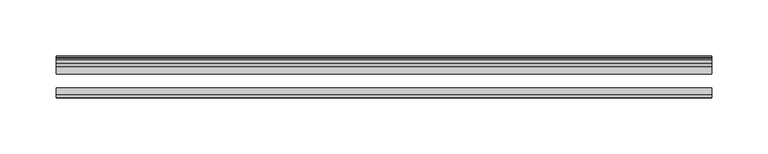
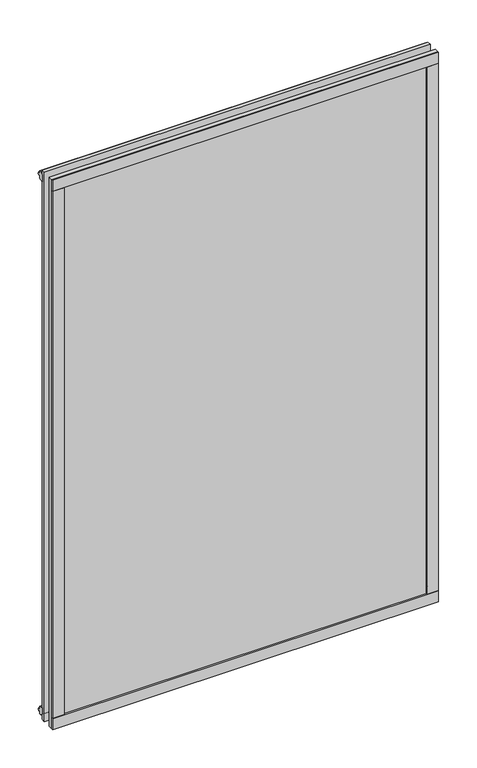
"""IFC4 building model written with IfcOpenShell, lengths in millimetres: plate geometry."""

from ifc_helpers import new_model, si_unit, frame, origin, origin_with_axes, place, context, project, spatial, polyline, outline, extrude, source, transform, mapped, element, save


def plate_c2dc4948(model_context):
    return source(origin(), model_context, "Body", "SweptSolid", [
        extrude(outline(polyline([(290.5124997, -44.4293643), (290.5124997, -46.7153636), (-290.5124997, -46.7153636), (-290.5124997, -44.4293643), (290.5124997, -44.4293643)])), frame((0.0, 0.0, 838.1873003), z_axis=(0.0, 0.0, 1.0), x_axis=(1.0, 0.0, 0.0)), (0.0, 0.0, 1.0), 17.4752),
        extrude(outline(polyline([(290.5124997, -44.4293643), (290.5124997, -46.7153636), (-290.5124997, -46.7153636), (-290.5124997, -44.4293643), (290.5124997, -44.4293643)])), frame((0.0, 0.0, -17.4625), z_axis=(0.0, 0.0, 1.0), x_axis=(1.0, 0.0, 0.0)), (0.0, 0.0, 1.0), 17.4752),
        extrude(outline(polyline([(-16.311566, -12.4459992), (-19.5373643, -9.7597211), (-19.5373643, 1.1616223), (-13.365166, -0.5079992), (-13.365166, -5.7149992), (-10.9849691, -6.0959992), (-11.4449023, -4.6804701), (-10.6436881, -4.6804701), (-9.936166, -6.8579992), (-10.6436881, -9.0355282), (-11.4449023, -9.0355282), (-10.9849691, -7.6199992), (-13.365166, -8.0009992), (-13.365166, -12.4459992), (-16.311566, -12.4459992)])), frame((-290.5124997, 0.0, 0.0), z_axis=(1.0, 0.0, 0.0), x_axis=(0.0, 1.0, 0.0)), (0.0, 0.0, 1.0), 581.0249995),
        extrude(outline(polyline([(-16.311566, 850.6459994), (-13.365166, 850.6459994), (-13.365166, 846.2009994), (-10.9849691, 845.8199994), (-11.4449023, 847.2355285), (-10.6436881, 847.2355285), (-9.936166, 845.0579994), (-10.6436881, 842.8804704), (-11.4449023, 842.8804704), (-10.9849691, 844.2959994), (-13.365166, 843.9149994), (-13.365166, 838.7079994), (-19.5373643, 837.0383779), (-19.5373643, 847.9597214), (-16.311566, 850.6459994)])), frame((-290.5124997, 0.0, 0.0), z_axis=(1.0, 0.0, 0.0), x_axis=(0.0, 1.0, 0.0)), (0.0, 0.0, 1.0), 581.0249995),
        extrude(outline(polyline([(-271.8883774, -19.5373643), (-282.8097208, -19.5373643), (-285.4959989, -16.311566), (-285.4959989, -13.365166), (-281.0509989, -13.365166), (-280.6699989, -10.9849691), (-282.0855279, -11.4449023), (-282.0855279, -10.6436881), (-279.9079989, -9.936166), (-277.7304698, -10.6436881), (-277.7304698, -11.4449023), (-279.1459989, -10.9849691), (-278.7649989, -13.365166), (-273.5579989, -13.365166), (-271.8883774, -19.5373643)])), origin_with_axes(), (0.0, 0.0, 1.0), 838.2000003),
        extrude(outline(polyline([(-273.0372997, -44.4293643), (-273.0372997, -46.7153636), (-290.5124997, -46.7153636), (-290.5124997, -44.4293643), (-273.0372997, -44.4293643)])), origin_with_axes(), (0.0, 0.0, 1.0), 838.2000003),
        extrude(outline(polyline([(271.9010776, -19.5373643), (273.5706991, -13.365166), (278.7776991, -13.365166), (279.1586991, -10.9849691), (277.74317, -11.4449023), (277.74317, -10.6436881), (279.9206991, -9.936166), (282.0982281, -10.6436881), (282.0982281, -11.4449023), (280.6826991, -10.9849691), (281.0636991, -13.365166), (285.5086991, -13.365166), (285.5086991, -16.311566), (282.822421, -19.5373643), (271.9010776, -19.5373643)])), origin_with_axes(), (0.0, 0.0, 1.0), 838.2000003),
        extrude(outline(polyline([(290.5251999, -46.7153636), (273.0499995, -46.7153636), (273.0499995, -44.4293643), (290.5251999, -44.4293643), (290.5251999, -46.7153636)])), origin_with_axes(), (0.0, 0.0, 1.0), 838.2000003),
        extrude(outline(polyline([(290.5124997, -19.5373643), (290.5124997, -25.8250158), (-290.5124997, -25.8250158), (-290.5124997, -19.5373643), (290.5124997, -19.5373643)])), frame((0.0, 0.0, -17.4497998), z_axis=(0.0, 0.0, 1.0), x_axis=(1.0, 0.0, 0.0)), (0.0, 0.0, 1.0), 873.1123001),
        extrude(outline(polyline([(-290.5124997, -44.4293643), (-290.5124997, -38.1186142), (290.5124997, -38.1186142), (290.5124997, -44.4293643), (-290.5124997, -44.4293643)])), frame((0.0, 0.0, -17.4497998), z_axis=(0.0, 0.0, 1.0), x_axis=(1.0, 0.0, 0.0)), (0.0, 0.0, 1.0), 873.1123001),
    ])


if __name__ == "__main__":
    model = new_model("IFC4")
    model_context = context("Model", 3, world=origin())
    ifc_project = project(units=[si_unit("LENGTHUNIT", "METRE", prefix="MILLI")], contexts=[model_context])
    site = spatial("IfcSite", under=ifc_project)
    building = spatial("IfcBuilding", under=site)
    placement = place(None, origin())
    plate_shape = plate_c2dc4948(model_context)
    element("IfcPlate", 1, at=placement, inside=building, context=model_context, shape_type="MappedRepresentation", body=[
        mapped(plate_shape, transform((0.0, 0.0, 0.0), x_axis=(1.0, 0.0, 0.0), y_axis=(0.0, 1.0, 0.0), z_axis=(0.0, 0.0, 1.0))),
    ])
    save(model, "model.ifc")
